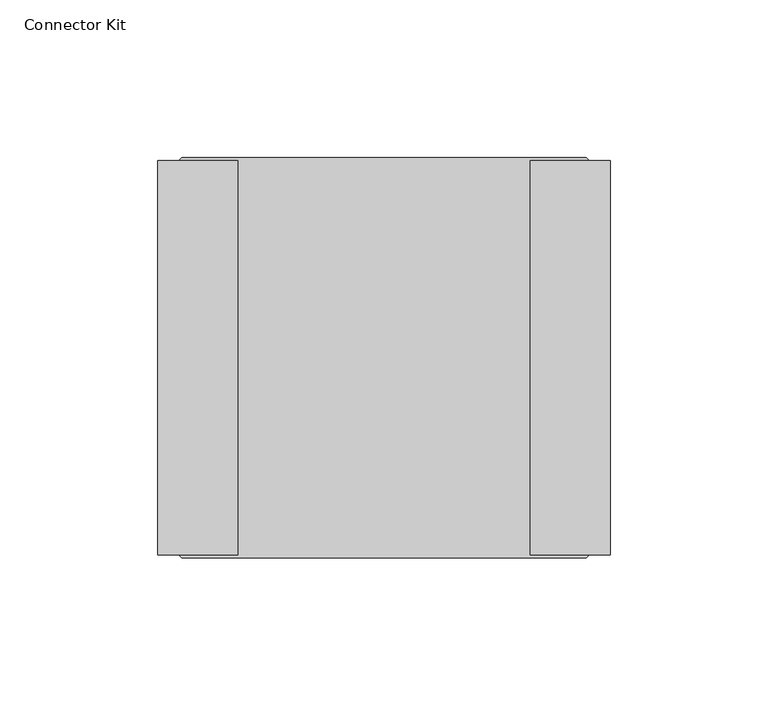
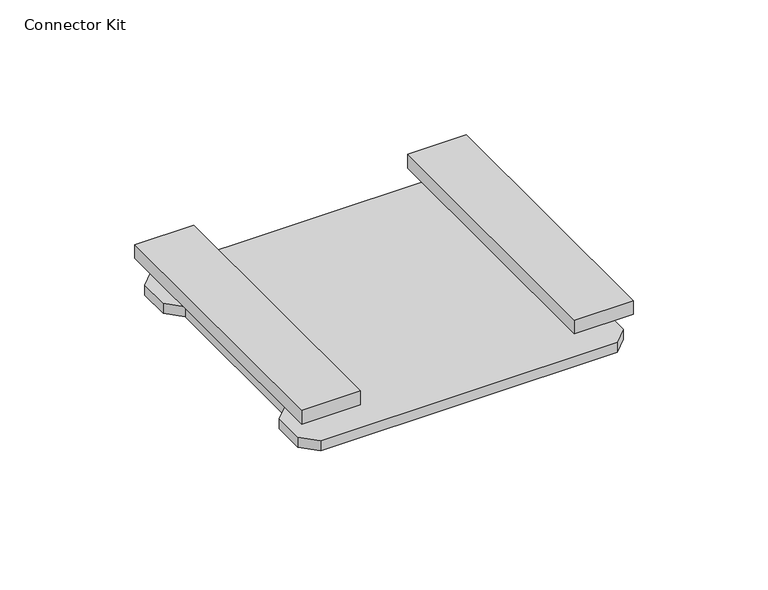
"""IFC4 building model written with IfcOpenShell, lengths in millimetres: furniture geometry, Connector Kit."""

import ifcopenshell
import ifcopenshell.guid

model = None  # the IFC model being written
_history = None  # IfcOwnerHistory: only IFC2X3 demands one
_inside = {}  # id of a spatial element -> (the spatial element, [elements in it])
_under = {}  # id of a project, library or spatial element -> (it, [spatial elements below it])
_declared = {}  # id of a project -> (the project, [libraries it declares])
_typed = {}  # id of a type object -> (the type object, [elements of that type])
_made_of = {}  # id of a material, layer set ... -> (it, [elements and type objects made of it])


def new_model(schema):
    """Start an empty IFC model of exactly this schema.

    Asked for "IFC4X3", IfcOpenShell would pick the latest addendum, in which some entities
    have other attributes; the version numbers below select the first issue.
    IFC2X3 requires an IfcOwnerHistory on every rooted entity: one is made here for all.
    """
    global model, _history
    if schema == "IFC4X3":
        model = ifcopenshell.file(schema_version=(4, 3, 0, 0))
    else:
        model = ifcopenshell.file(schema=schema)
    _inside.clear()
    _under.clear()
    _declared.clear()
    _typed.clear()
    _made_of.clear()
    _history = None
    if model.schema == "IFC2X3":
        org = make("IfcOrganization", Name="unknown")
        user = make(
            "IfcPersonAndOrganization",
            ThePerson=make("IfcPerson", FamilyName="unknown"),
            TheOrganization=org,
        )
        app = make(
            "IfcApplication",
            ApplicationDeveloper=org,
            Version="unknown",
            ApplicationFullName="unknown",
            ApplicationIdentifier="unknown",
        )
        _history = make(
            "IfcOwnerHistory",
            OwningUser=user,
            OwningApplication=app,
            ChangeAction="ADDED",
            CreationDate=0,
        )
    return model


def make(cls, **values):
    """One entity of the class cls with the attributes given. An attribute that is None is left unset."""
    return model.create_entity(
        cls, **{name: value for name, value in values.items() if value is not None}
    )


def rooted(cls, **values):
    """An entity with a GlobalId (a new one), such as an element, a storey or a relation."""
    return make(cls, GlobalId=ifcopenshell.guid.new(), OwnerHistory=_history, **values)


def si_unit(unit_type, name, prefix=None):
    """IfcSIUnit, for example si_unit("LENGTHUNIT", "METRE", prefix="MILLI")."""
    return make("IfcSIUnit", UnitType=unit_type, Prefix=prefix, Name=name)


def assignment(units):
    """IfcUnitAssignment: the units of a project."""
    return None if units is None else make("IfcUnitAssignment", Units=units)


def point(xyz):
    """IfcCartesianPoint."""
    return None if xyz is None else make("IfcCartesianPoint", Coordinates=xyz)


def direction(xyz):
    """IfcDirection."""
    return None if xyz is None else make("IfcDirection", DirectionRatios=xyz)


def frame(location, z_axis=None, x_axis=None):
    """IfcAxis2Placement3D, a coordinate frame: its origin and axes. An axis left out is left unset."""
    return make(
        "IfcAxis2Placement3D",
        Location=point(location),
        Axis=direction(z_axis),
        RefDirection=direction(x_axis),
    )


def origin():
    """The frame at (0, 0, 0) with its axes left unset."""
    return frame((0.0, 0.0, 0.0))


def place(relative_to, where):
    """IfcLocalPlacement: puts the frame where relative to a parent placement (None: the world)."""
    return make(
        "IfcLocalPlacement", PlacementRelTo=relative_to, RelativePlacement=where
    )


def context(
    kind, dimensions, precision=None, world=None, true_north=None, identifier=None
):
    """IfcGeometricRepresentationContext, for example the 3D "Model" context."""
    return make(
        "IfcGeometricRepresentationContext",
        ContextIdentifier=identifier,
        ContextType=kind,
        CoordinateSpaceDimension=dimensions,
        Precision=precision,
        WorldCoordinateSystem=world,
        TrueNorth=true_north,
    )


def project(units=None, contexts=None):
    """IfcProject with its units and contexts."""
    return rooted(
        "IfcProject",
        Name="project",
        RepresentationContexts=contexts,
        UnitsInContext=assignment(units),
    )


def spatial(cls, under=None, at=None, **own):
    """A site, building, storey or space (cls), placed at a placement, below another one or the project."""
    s = rooted(cls, ObjectPlacement=at, **own)
    if under is not None:
        _under.setdefault(under.id(), (under, []))[1].append(s)
    return s


def faces_of(points, faces, orient=None, outer=None):
    """IfcFace entities. A face is a list of loops; a loop is a list of indices into points, from 0.

    orient and outer hold one flag for each loop. By default every Orientation is true, the
    first loop of a face is its IfcFaceOuterBound and the others are IfcFaceBound.
    """
    made = []
    for i, loops in enumerate(faces):
        bounds = []
        for j, loop in enumerate(loops):
            is_outer = j == 0 if outer is None else outer[i][j]
            bounds.append(
                make(
                    "IfcFaceOuterBound" if is_outer else "IfcFaceBound",
                    Bound=make("IfcPolyLoop", Polygon=[points[k] for k in loop]),
                    Orientation=True if orient is None else orient[i][j],
                )
            )
        made.append(make("IfcFace", Bounds=bounds))
    return made


def faceted_brep(points, faces, orient=None, outer=None, voids=None):
    """IfcFacetedBrep: a solid bounded by flat faces; with voids (closed shells), ...WithVoids."""
    shared = [point(p) for p in points]
    hull = make("IfcClosedShell", CfsFaces=faces_of(shared, faces, orient, outer))
    if voids is None:
        return make("IfcFacetedBrep", Outer=hull)
    return make(
        "IfcFacetedBrepWithVoids",
        Outer=hull,
        Voids=[
            make(cls, CfsFaces=faces_of(shared, fs, o, b)) for cls, fs, o, b in voids
        ],
    )


def shape(context_of_items, identifier, shape_type, items):
    """IfcShapeRepresentation: the items that make up one representation, for example the "Body"."""
    return make(
        "IfcShapeRepresentation",
        ContextOfItems=context_of_items,
        RepresentationIdentifier=identifier,
        RepresentationType=shape_type,
        Items=items,
    )


def source(mapping_origin, context_of_items, identifier, shape_type, items):
    """IfcRepresentationMap: a shape defined once, which mapped items show again and again."""
    return make(
        "IfcRepresentationMap",
        MappingOrigin=mapping_origin,
        MappedRepresentation=shape(context_of_items, identifier, shape_type, items),
    )


def transform(
    local_origin,
    x_axis=None,
    y_axis=None,
    z_axis=None,
    scale=None,
    scale2=None,
    scale3=None,
    uniform=True,
):
    """IfcCartesianTransformationOperator3D, or its non-uniform kind. x_axis, y_axis, z_axis: its Axis1, 2, 3."""
    if uniform:
        return make(
            "IfcCartesianTransformationOperator3D",
            Axis1=direction(x_axis),
            Axis2=direction(y_axis),
            LocalOrigin=point(local_origin),
            Scale=scale,
            Axis3=direction(z_axis),
        )
    return make(
        "IfcCartesianTransformationOperator3DnonUniform",
        Axis1=direction(x_axis),
        Axis2=direction(y_axis),
        LocalOrigin=point(local_origin),
        Scale=scale,
        Axis3=direction(z_axis),
        Scale2=scale2,
        Scale3=scale3,
    )


def mapped(mapping_source, mapping_target):
    """IfcMappedItem: shows the shape of a source again, moved by a transform."""
    return make(
        "IfcMappedItem", MappingSource=mapping_source, MappingTarget=mapping_target
    )


def made_of(thing, what):
    """Note that an element or type object is made of a material, layer set ...; save() writes the relation."""
    if what is not None:
        _made_of.setdefault(what.id(), (what, []))[1].append(thing)
    return thing


def element(
    cls,
    number,
    at=None,
    inside=None,
    cuts=None,
    type_object=None,
    material=None,
    context=None,
    identifier="Body",
    shape_type=None,
    held_by="IfcProductDefinitionShape",
    body=None,
    shapes=None,
    **own,
):
    """One element of the class cls, such as IfcWall. Its Tag is "e" and its number.

    at: its placement. inside: the storey or other place that contains it. cuts: it is an
    opening in that element (IfcRelVoidsElement). A single representation is given by context,
    identifier, shape_type and body (its items); several are given by shapes. held_by: the class
    of the entity that holds the representations. save() writes the other relations.
    """
    e = rooted(cls, Tag="e%d" % number, ObjectPlacement=at, **own)
    if body is not None:
        shapes = [shape(context, identifier, shape_type, body)]
    if shapes is not None:
        e.Representation = make(held_by, Representations=shapes)
    if inside is not None:
        _inside.setdefault(inside.id(), (inside, []))[1].append(e)
    if cuts is not None:
        rooted(
            "IfcRelVoidsElement", RelatingBuildingElement=cuts, RelatedOpeningElement=e
        )
    if type_object is not None:
        _typed.setdefault(type_object.id(), (type_object, []))[1].append(e)
    return made_of(e, material)


def aggregate(whole, parts):
    """IfcRelAggregates: a whole, such as a stair, and the parts it consists of."""
    return rooted("IfcRelAggregates", RelatingObject=whole, RelatedObjects=parts)


def save(model, path):
    """Write the relations noted so far, then the file.

    IfcRelAggregates (storeys below a building ...), IfcRelContainedInSpatialStructure (elements
    in a storey), IfcRelDefinesByType, IfcRelAssociatesMaterial and IfcRelDeclares: one each for
    every whole, place, type object, material and project.
    """
    for whole, parts in _under.values():
        aggregate(whole, parts)
    for where, things in _inside.values():
        rooted(
            "IfcRelContainedInSpatialStructure",
            RelatedElements=things,
            RelatingStructure=where,
        )
    for kind, things in _typed.values():
        rooted("IfcRelDefinesByType", RelatedObjects=things, RelatingType=kind)
    for what, things in _made_of.values():
        rooted("IfcRelAssociatesMaterial", RelatedObjects=things, RelatingMaterial=what)
    for by, libraries in _declared.values():
        rooted("IfcRelDeclares", RelatingContext=by, RelatedDefinitions=libraries)
    model.write(path)


def connector_kit_f2115b50(model_context):
    return source(origin(), model_context, "Body", "Brep", [
        faceted_brep([(-70.3755327, 57.2499984, 609.0920005), (-64.1255326, 63.4999985, 609.0920005), (64.1255326, 63.4999985, 609.0920005), (70.3755327, 57.2499984, 609.0920005), (70.3755327, 43.4999974, 609.0920005), (64.375531, 37.4999957, 609.0920005), (64.375531, -37.5000003, 609.0920005), (70.3755327, -43.500002, 609.0920005), (70.3755327, -57.250003, 609.0920005), (64.1255326, -63.500003, 609.0920005), (-64.1255326, -63.500003, 609.0920005), (-70.3755327, -57.250003, 609.0920005), (-70.3755327, -43.500002, 609.0920005), (-64.375531, -37.5000003, 609.0920005), (-64.375531, 37.4999957, 609.0920005), (-70.3755327, 43.4999974, 609.0920005), (-70.3755327, 57.2499984, 613.6639961), (-70.3755327, 43.4999974, 613.6639961), (-64.375531, 37.4999957, 613.6639961), (-64.375531, -37.5000003, 613.6639961), (-70.3755327, -43.500002, 613.6639961), (-70.3755327, -57.250003, 613.6639961), (-64.1255326, -63.500003, 613.6639961), (64.1255326, -63.500003, 613.6639961), (70.3755327, -57.250003, 613.6639961), (70.3755327, -43.500002, 613.6639961), (64.375531, -37.5000003, 613.6639961), (64.375531, 37.4999957, 613.6639961), (70.3755327, 43.4999974, 613.6639961), (70.3755327, 57.2499984, 613.6639961), (64.1255326, 63.4999985, 613.6639961), (-64.1255326, 63.4999985, 613.6639961), (-61.3130317, 49.0053663, 613.6639961), (-56.6880324, 49.0053663, 613.6639961), (-54.3755327, 44.9999967, 613.6639961), (-56.6880324, 40.9946316, 613.6639961), (-61.3130317, 40.9946316, 613.6639961), (-63.6255313, 44.9999967, 613.6639961), (-54.3755327, -44.9999967, 613.6639961), (-56.6880324, -49.0053663, 613.6639961), (-61.3130317, -49.0053663, 613.6639961), (-63.6255313, -44.9999967, 613.6639961), (-61.3130317, -40.9946316, 613.6639961), (-56.6880324, -40.9946316, 613.6639961), (54.3755327, 44.9999967, 613.6639961), (56.6880324, 49.0053663, 613.6639961), (61.3130317, 49.0053663, 613.6639961), (63.6255313, 44.9999967, 613.6639961), (61.3130317, 40.9946316, 613.6639961), (56.6880324, 40.9946316, 613.6639961), (61.3130317, -49.0053663, 613.6639961), (56.6880324, -49.0053663, 613.6639961), (54.3755327, -44.9999967, 613.6639961), (56.6880324, -40.9946316, 613.6639961), (61.3130317, -40.9946316, 613.6639961), (63.6255313, -44.9999967, 613.6639961), (-56.6880324, 49.0053663, 623.1889961), (-61.3130317, 49.0053663, 623.1889961), (-63.6255313, 44.9999967, 623.1889961), (-61.3130317, 40.9946316, 623.1889961), (-56.6880324, 40.9946316, 623.1889961), (-54.3755327, 44.9999967, 623.1889961), (-56.6880324, -49.0053663, 623.1889961), (-54.3755327, -44.9999967, 623.1889961), (-56.6880324, -40.9946316, 623.1889961), (-61.3130317, -40.9946316, 623.1889961), (-63.6255313, -44.9999967, 623.1889961), (-61.3130317, -49.0053663, 623.1889961), (56.6880324, 49.0053663, 623.1889961), (54.3755327, 44.9999967, 623.1889961), (56.6880324, 40.9946316, 623.1889961), (61.3130317, 40.9946316, 623.1889961), (63.6255313, 44.9999967, 623.1889961), (61.3130317, 49.0053663, 623.1889961), (56.6880324, -49.0053663, 623.1889961), (61.3130317, -49.0053663, 623.1889961), (63.6255313, -44.9999967, 623.1889961), (61.3130317, -40.9946316, 623.1889961), (56.6880324, -40.9946316, 623.1889961), (54.3755327, -44.9999967, 623.1889961), (-46.3005351, 62.5000005, 623.1889961), (-46.3005351, -62.5000005, 623.1889961), (-71.7005335, -62.5000005, 623.1889961), (-71.7005335, 62.5000005, 623.1889961), (71.6994662, 62.5000005, 623.1889961), (71.6994662, -62.5000005, 623.1889961), (46.2994677, -62.5000005, 623.1889961), (46.2994677, 62.5000005, 623.1889961), (-46.3005351, 62.5000005, 629.5389719), (-71.7005335, 62.5000005, 629.5389719), (-71.7005335, -62.5000005, 629.5389719), (-46.3005351, -62.5000005, 629.5389719), (71.6994662, 62.5000005, 629.5389719), (46.2994677, 62.5000005, 629.5389719), (46.2994677, -62.5000005, 629.5389719), (71.6994662, -62.5000005, 629.5389719)], [[[0, 1, 2, 3, 4, 5, 6, 7, 8, 9, 10, 11, 12, 13, 14, 15]], [[16, 17, 18, 19, 20, 21, 22, 23, 24, 25, 26, 27, 28, 29, 30, 31], [32, 33, 34, 35, 36, 37], [38, 39, 40, 41, 42, 43], [44, 45, 46, 47, 48, 49], [50, 51, 52, 53, 54, 55]], [[0, 15, 17, 16]], [[15, 14, 18, 17]], [[14, 13, 19, 18]], [[13, 12, 20, 19]], [[12, 11, 21, 20]], [[11, 10, 22, 21]], [[10, 9, 23, 22]], [[9, 8, 24, 23]], [[8, 7, 25, 24]], [[7, 6, 26, 25]], [[6, 5, 27, 26]], [[5, 4, 28, 27]], [[4, 3, 29, 28]], [[3, 2, 30, 29]], [[2, 1, 31, 30]], [[1, 0, 16, 31]], [[56, 33, 32, 57]], [[57, 32, 37, 58]], [[58, 37, 36, 59]], [[59, 36, 35, 60]], [[60, 35, 34, 61]], [[33, 56, 61, 34]], [[62, 39, 38, 63]], [[63, 38, 43, 64]], [[64, 43, 42, 65]], [[65, 42, 41, 66]], [[66, 41, 40, 67]], [[39, 62, 67, 40]], [[68, 45, 44, 69]], [[69, 44, 49, 70]], [[70, 49, 48, 71]], [[71, 48, 47, 72]], [[72, 47, 46, 73]], [[45, 68, 73, 46]], [[74, 51, 50, 75]], [[75, 50, 55, 76]], [[76, 55, 54, 77]], [[77, 54, 53, 78]], [[78, 53, 52, 79]], [[51, 74, 79, 52]], [[80, 81, 82, 83], [56, 57, 58, 59, 60, 61], [62, 63, 64, 65, 66, 67]], [[84, 85, 86, 87], [68, 69, 70, 71, 72, 73], [74, 75, 76, 77, 78, 79]], [[88, 89, 90, 91]], [[92, 93, 94, 95]], [[80, 83, 89, 88]], [[83, 82, 90, 89]], [[82, 81, 91, 90]], [[81, 80, 88, 91]], [[84, 87, 93, 92]], [[87, 86, 94, 93]], [[86, 85, 95, 94]], [[85, 84, 92, 95]]]),
    ])


if __name__ == "__main__":
    model = new_model("IFC4")
    model_context = context("Model", 3, world=origin())
    ifc_project = project(units=[si_unit("LENGTHUNIT", "METRE", prefix="MILLI")], contexts=[model_context])
    site = spatial("IfcSite", under=ifc_project)
    building = spatial("IfcBuilding", under=site)
    placement = place(None, origin())
    connector_kit_shape = connector_kit_f2115b50(model_context)
    element("IfcFurniture", 1, ObjectType="Connector Kit", at=placement, inside=building, context=model_context, shape_type="MappedRepresentation", body=[
        mapped(connector_kit_shape, transform((0.0, 0.0, 0.0), x_axis=(1.0, 0.0, 0.0), y_axis=(0.0, 1.0, 0.0), z_axis=(0.0, 0.0, 1.0))),
    ])
    save(model, "model.ifc")
